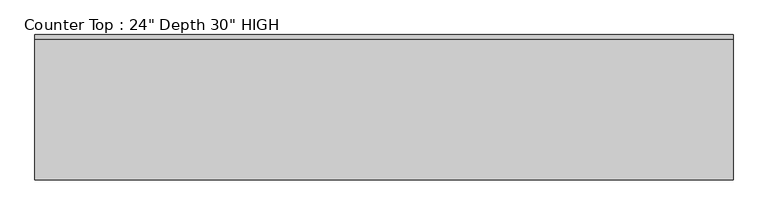
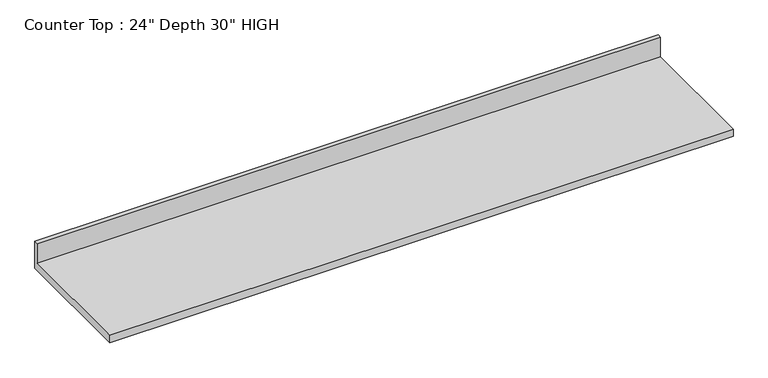
"""IFC4 building model written with IfcOpenShell, lengths in millimetres: furniture geometry."""

from ifc_helpers import new_model, si_unit, frame, origin, place, context, project, spatial, polyline, outline, extrude, source, transform, mapped, element, save


def furniture_40fd53eb(model_context):
    return source(origin(), model_context, "Body", "SweptSolid", [
        extrude(outline(polyline([(0.0, 965.2), (0.0, 825.5), (-635.0, 825.5), (-635.0, 863.6), (-19.05, 863.6), (-19.05, 965.2), (0.0, 965.2)])), frame((-1200.4622951, 0.0, 0.0), z_axis=(1.0, 0.0, 0.0), x_axis=(0.0, 1.0, 0.0)), (0.0, 0.0, 1.0), 3048.0),
    ])


if __name__ == "__main__":
    model = new_model("IFC4")
    model_context = context("Model", 3, world=origin())
    ifc_project = project(units=[si_unit("LENGTHUNIT", "METRE", prefix="MILLI")], contexts=[model_context])
    site = spatial("IfcSite", under=ifc_project)
    building = spatial("IfcBuilding", under=site)
    placement = place(None, origin())
    furniture_shape = furniture_40fd53eb(model_context)
    element("IfcFurniture", 1, ObjectType="Counter Top : 24\" Depth 30\" HIGH", at=placement, inside=building, context=model_context, shape_type="MappedRepresentation", body=[
        mapped(furniture_shape, transform((0.0, 0.0, 0.0), x_axis=(1.0, 0.0, 0.0), y_axis=(0.0, 1.0, 0.0), z_axis=(0.0, 0.0, 1.0))),
    ])
    save(model, "model.ifc")
